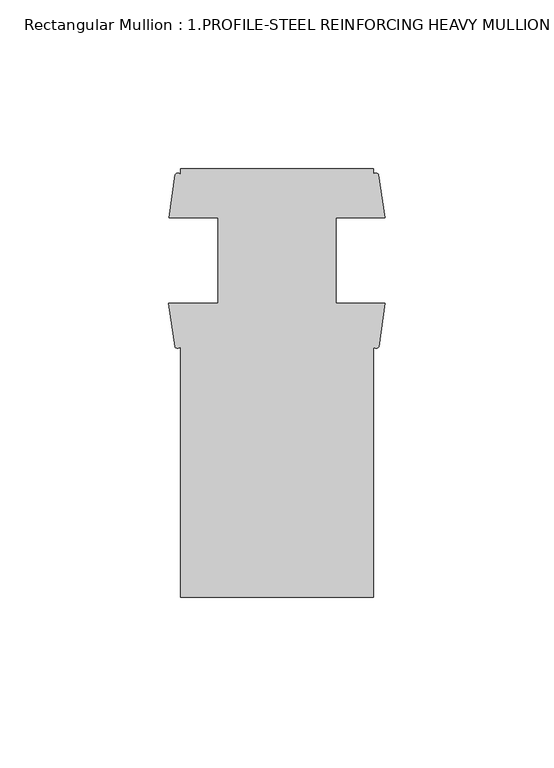
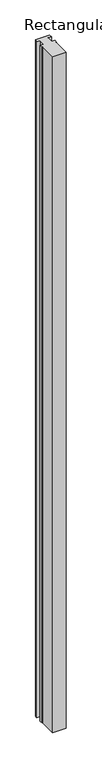
"""IFC4 building model written with IfcOpenShell, lengths in millimetres: member geometry, Rectangular Mullion : 1.PROFILE-STEEL REINFORCING HEAVY MULLION DETAIL-5B."""

import ifcopenshell
import ifcopenshell.guid

model = None  # the IFC model being written
_history = None  # IfcOwnerHistory: only IFC2X3 demands one
_inside = {}  # id of a spatial element -> (the spatial element, [elements in it])
_under = {}  # id of a project, library or spatial element -> (it, [spatial elements below it])
_declared = {}  # id of a project -> (the project, [libraries it declares])
_typed = {}  # id of a type object -> (the type object, [elements of that type])
_made_of = {}  # id of a material, layer set ... -> (it, [elements and type objects made of it])


def new_model(schema):
    """Start an empty IFC model of exactly this schema.

    Asked for "IFC4X3", IfcOpenShell would pick the latest addendum, in which some entities
    have other attributes; the version numbers below select the first issue.
    IFC2X3 requires an IfcOwnerHistory on every rooted entity: one is made here for all.
    """
    global model, _history
    if schema == "IFC4X3":
        model = ifcopenshell.file(schema_version=(4, 3, 0, 0))
    else:
        model = ifcopenshell.file(schema=schema)
    _inside.clear()
    _under.clear()
    _declared.clear()
    _typed.clear()
    _made_of.clear()
    _history = None
    if model.schema == "IFC2X3":
        org = make("IfcOrganization", Name="unknown")
        user = make(
            "IfcPersonAndOrganization",
            ThePerson=make("IfcPerson", FamilyName="unknown"),
            TheOrganization=org,
        )
        app = make(
            "IfcApplication",
            ApplicationDeveloper=org,
            Version="unknown",
            ApplicationFullName="unknown",
            ApplicationIdentifier="unknown",
        )
        _history = make(
            "IfcOwnerHistory",
            OwningUser=user,
            OwningApplication=app,
            ChangeAction="ADDED",
            CreationDate=0,
        )
    return model


def make(cls, **values):
    """One entity of the class cls with the attributes given. An attribute that is None is left unset."""
    return model.create_entity(
        cls, **{name: value for name, value in values.items() if value is not None}
    )


def rooted(cls, **values):
    """An entity with a GlobalId (a new one), such as an element, a storey or a relation."""
    return make(cls, GlobalId=ifcopenshell.guid.new(), OwnerHistory=_history, **values)


def si_unit(unit_type, name, prefix=None):
    """IfcSIUnit, for example si_unit("LENGTHUNIT", "METRE", prefix="MILLI")."""
    return make("IfcSIUnit", UnitType=unit_type, Prefix=prefix, Name=name)


def assignment(units):
    """IfcUnitAssignment: the units of a project."""
    return None if units is None else make("IfcUnitAssignment", Units=units)


def point(xyz):
    """IfcCartesianPoint."""
    return None if xyz is None else make("IfcCartesianPoint", Coordinates=xyz)


def direction(xyz):
    """IfcDirection."""
    return None if xyz is None else make("IfcDirection", DirectionRatios=xyz)


def frame(location, z_axis=None, x_axis=None):
    """IfcAxis2Placement3D, a coordinate frame: its origin and axes. An axis left out is left unset."""
    return make(
        "IfcAxis2Placement3D",
        Location=point(location),
        Axis=direction(z_axis),
        RefDirection=direction(x_axis),
    )


def frame_2d(location, x_axis=None):
    """IfcAxis2Placement2D, a coordinate frame in the plane: its origin and x axis."""
    return make(
        "IfcAxis2Placement2D", Location=point(location), RefDirection=direction(x_axis)
    )


def origin():
    """The frame at (0, 0, 0) with its axes left unset."""
    return frame((0.0, 0.0, 0.0))


def place(relative_to, where):
    """IfcLocalPlacement: puts the frame where relative to a parent placement (None: the world)."""
    return make(
        "IfcLocalPlacement", PlacementRelTo=relative_to, RelativePlacement=where
    )


def context(
    kind, dimensions, precision=None, world=None, true_north=None, identifier=None
):
    """IfcGeometricRepresentationContext, for example the 3D "Model" context."""
    return make(
        "IfcGeometricRepresentationContext",
        ContextIdentifier=identifier,
        ContextType=kind,
        CoordinateSpaceDimension=dimensions,
        Precision=precision,
        WorldCoordinateSystem=world,
        TrueNorth=true_north,
    )


def project(units=None, contexts=None):
    """IfcProject with its units and contexts."""
    return rooted(
        "IfcProject",
        Name="project",
        RepresentationContexts=contexts,
        UnitsInContext=assignment(units),
    )


def spatial(cls, under=None, at=None, **own):
    """A site, building, storey or space (cls), placed at a placement, below another one or the project."""
    s = rooted(cls, ObjectPlacement=at, **own)
    if under is not None:
        _under.setdefault(under.id(), (under, []))[1].append(s)
    return s


def polyline(points):
    """IfcPolyline through the points."""
    return make("IfcPolyline", Points=[point(p) for p in points])


def circle_curve(where, radius):
    """IfcCircle in the frame where."""
    return make("IfcCircle", Position=where, Radius=radius)


def trimmed(basis, trim1, trim2, sense, master):
    """IfcTrimmedCurve: the piece of a basis curve between two trims."""
    return make(
        "IfcTrimmedCurve",
        BasisCurve=basis,
        Trim1=trim1,
        Trim2=trim2,
        SenseAgreement=sense,
        MasterRepresentation=master,
    )


def segment(curve, same_sense, transition):
    """IfcCompositeCurveSegment."""
    return make(
        "IfcCompositeCurveSegment",
        Transition=transition,
        SameSense=same_sense,
        ParentCurve=curve,
    )


def composite_curve(segments, self_intersect=None):
    """IfcCompositeCurve: segments joined end to end."""
    return make("IfcCompositeCurve", Segments=segments, SelfIntersect=self_intersect)


def outline(outer, holes=None, kind="AREA"):
    """IfcArbitraryClosedProfileDef: a profile drawn as a closed curve; with holes, ...WithVoids."""
    if holes is None:
        return make("IfcArbitraryClosedProfileDef", ProfileType=kind, OuterCurve=outer)
    return make(
        "IfcArbitraryProfileDefWithVoids",
        ProfileType=kind,
        OuterCurve=outer,
        InnerCurves=holes,
    )


def extrude(swept, where, along, depth):
    """IfcExtrudedAreaSolid: the profile swept, set in the frame where, extruded along a direction by depth."""
    return make(
        "IfcExtrudedAreaSolid",
        SweptArea=swept,
        Position=where,
        ExtrudedDirection=direction(along),
        Depth=depth,
    )


def shape(context_of_items, identifier, shape_type, items):
    """IfcShapeRepresentation: the items that make up one representation, for example the "Body"."""
    return make(
        "IfcShapeRepresentation",
        ContextOfItems=context_of_items,
        RepresentationIdentifier=identifier,
        RepresentationType=shape_type,
        Items=items,
    )


def source(mapping_origin, context_of_items, identifier, shape_type, items):
    """IfcRepresentationMap: a shape defined once, which mapped items show again and again."""
    return make(
        "IfcRepresentationMap",
        MappingOrigin=mapping_origin,
        MappedRepresentation=shape(context_of_items, identifier, shape_type, items),
    )


def transform(
    local_origin,
    x_axis=None,
    y_axis=None,
    z_axis=None,
    scale=None,
    scale2=None,
    scale3=None,
    uniform=True,
):
    """IfcCartesianTransformationOperator3D, or its non-uniform kind. x_axis, y_axis, z_axis: its Axis1, 2, 3."""
    if uniform:
        return make(
            "IfcCartesianTransformationOperator3D",
            Axis1=direction(x_axis),
            Axis2=direction(y_axis),
            LocalOrigin=point(local_origin),
            Scale=scale,
            Axis3=direction(z_axis),
        )
    return make(
        "IfcCartesianTransformationOperator3DnonUniform",
        Axis1=direction(x_axis),
        Axis2=direction(y_axis),
        LocalOrigin=point(local_origin),
        Scale=scale,
        Axis3=direction(z_axis),
        Scale2=scale2,
        Scale3=scale3,
    )


def mapped(mapping_source, mapping_target):
    """IfcMappedItem: shows the shape of a source again, moved by a transform."""
    return make(
        "IfcMappedItem", MappingSource=mapping_source, MappingTarget=mapping_target
    )


def made_of(thing, what):
    """Note that an element or type object is made of a material, layer set ...; save() writes the relation."""
    if what is not None:
        _made_of.setdefault(what.id(), (what, []))[1].append(thing)
    return thing


def element(
    cls,
    number,
    at=None,
    inside=None,
    cuts=None,
    type_object=None,
    material=None,
    context=None,
    identifier="Body",
    shape_type=None,
    held_by="IfcProductDefinitionShape",
    body=None,
    shapes=None,
    **own,
):
    """One element of the class cls, such as IfcWall. Its Tag is "e" and its number.

    at: its placement. inside: the storey or other place that contains it. cuts: it is an
    opening in that element (IfcRelVoidsElement). A single representation is given by context,
    identifier, shape_type and body (its items); several are given by shapes. held_by: the class
    of the entity that holds the representations. save() writes the other relations.
    """
    e = rooted(cls, Tag="e%d" % number, ObjectPlacement=at, **own)
    if body is not None:
        shapes = [shape(context, identifier, shape_type, body)]
    if shapes is not None:
        e.Representation = make(held_by, Representations=shapes)
    if inside is not None:
        _inside.setdefault(inside.id(), (inside, []))[1].append(e)
    if cuts is not None:
        rooted(
            "IfcRelVoidsElement", RelatingBuildingElement=cuts, RelatedOpeningElement=e
        )
    if type_object is not None:
        _typed.setdefault(type_object.id(), (type_object, []))[1].append(e)
    return made_of(e, material)


def aggregate(whole, parts):
    """IfcRelAggregates: a whole, such as a stair, and the parts it consists of."""
    return rooted("IfcRelAggregates", RelatingObject=whole, RelatedObjects=parts)


def save(model, path):
    """Write the relations noted so far, then the file.

    IfcRelAggregates (storeys below a building ...), IfcRelContainedInSpatialStructure (elements
    in a storey), IfcRelDefinesByType, IfcRelAssociatesMaterial and IfcRelDeclares: one each for
    every whole, place, type object, material and project.
    """
    for whole, parts in _under.values():
        aggregate(whole, parts)
    for where, things in _inside.values():
        rooted(
            "IfcRelContainedInSpatialStructure",
            RelatedElements=things,
            RelatingStructure=where,
        )
    for kind, things in _typed.values():
        rooted("IfcRelDefinesByType", RelatedObjects=things, RelatingType=kind)
    for what, things in _made_of.values():
        rooted("IfcRelAssociatesMaterial", RelatedObjects=things, RelatingMaterial=what)
    for by, libraries in _declared.values():
        rooted("IfcRelDeclares", RelatingContext=by, RelatedDefinitions=libraries)
    model.write(path)


def rectangular_mullion_1_profile_steel_reinforcing_heavy_2b9d03f2(model_context):
    return source(origin(), model_context, "Body", "SweptSolid", [
        extrude(outline(composite_curve([segment(polyline([(-60.6695217, -43.7495117), (-60.6695217, 30.5739105)]), True, "CONTINUOUS"), segment(trimmed(circle_curve(frame_2d((-61.5012239, 31.1300808)), 1.0005268), [point((-60.6695217, 30.5739105))], [point((-62.3329261, 30.5739105))], False, "CARTESIAN"), True, "CONTINUOUS"), segment(polyline([(-62.3329261, 30.5739105), (-64.1890435, 43.3469633), (-49.5570217, 43.3469633), (-49.5570217, 68.7469633), (-64.0655217, 68.7469633), (-62.255418, 81.5182509)]), True, "CONTINUOUS"), segment(trimmed(circle_curve(frame_2d((-61.4624699, 81.0587385)), 0.9164706), [point((-62.255418, 81.5182509))], [point((-60.6695217, 81.5182509))], False, "CARTESIAN"), True, "CONTINUOUS"), segment(polyline([(-60.6695217, 81.5182509), (-60.6695217, 83.2504883), (-3.5195217, 83.2504883), (-3.5195217, 81.5182509)]), True, "CONTINUOUS"), segment(trimmed(circle_curve(frame_2d((-2.7265736, 81.0472433)), 0.9222878), [point((-3.5195217, 81.5182509))], [point((-1.9336255, 81.5182509))], False, "CARTESIAN"), True, "CONTINUOUS"), segment(polyline([(-1.9336255, 81.5182509), (-0.1235217, 68.7469633), (-14.6320217, 68.7469633), (-14.6320217, 43.3469633), (0.0, 43.3469633), (-1.8561173, 30.5739105)]), True, "CONTINUOUS"), segment(trimmed(circle_curve(frame_2d((-2.6878195, 31.1225911)), 0.9963829), [point((-1.8561173, 30.5739105))], [point((-3.5195217, 30.5739105))], False, "CARTESIAN"), True, "CONTINUOUS"), segment(polyline([(-3.5195217, 30.5739105), (-3.5195217, -43.7495117), (-60.6695217, -43.7495117)]), True, "CONTINUOUS")], self_intersect=False)), frame((0.0, 0.0, -3048.0), z_axis=(0.0, 0.0, 1.0), x_axis=(1.0, 0.0, 0.0)), (0.0, 0.0, 1.0), 3048.0),
    ])


if __name__ == "__main__":
    model = new_model("IFC4")
    model_context = context("Model", 3, world=origin())
    ifc_project = project(units=[si_unit("LENGTHUNIT", "METRE", prefix="MILLI")], contexts=[model_context])
    site = spatial("IfcSite", under=ifc_project)
    building = spatial("IfcBuilding", under=site)
    placement = place(None, origin())
    rectangular_mullion_1_profile_steel_reinforcing_heavy_shape = rectangular_mullion_1_profile_steel_reinforcing_heavy_2b9d03f2(model_context)
    element("IfcMember", 1, ObjectType="Rectangular Mullion : 1.PROFILE-STEEL REINFORCING HEAVY MULLION DETAIL-5B", at=placement, inside=building, context=model_context, shape_type="MappedRepresentation", body=[
        mapped(rectangular_mullion_1_profile_steel_reinforcing_heavy_shape, transform((0.0, 0.0, 0.0), x_axis=(1.0, 0.0, 0.0), y_axis=(0.0, 1.0, 0.0), z_axis=(0.0, 0.0, 1.0))),
    ])
    save(model, "model.ifc")
